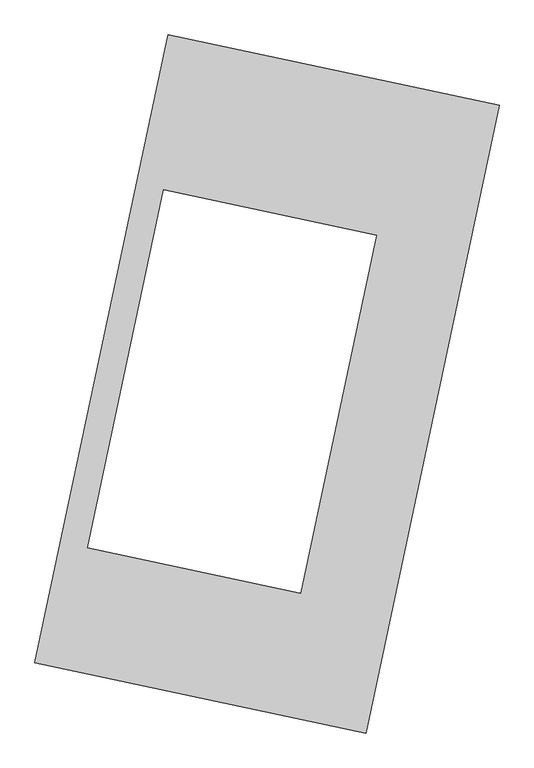
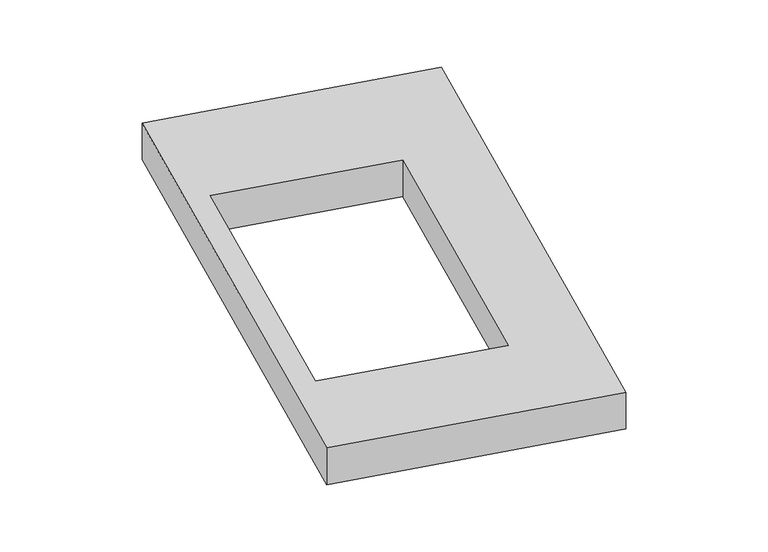
"""IFC4 building model written with IfcOpenShell, lengths in millimetres: proxy geometry."""

from ifc_helpers import new_model, si_unit, origin, origin_with_axes, place, context, project, spatial, polyline, outline, extrude, source, transform, mapped, element, save


def generic_models_0d9f7449(model_context):
    return source(origin(), model_context, "Body", "SweptSolid", [
        extrude(outline(polyline([(-617.3692021, 2175.5580432), (1447.7508745, 1737.3010494), (617.3692021, -2175.5580432), (-1447.7508745, -1737.3010494), (-617.3692021, 2175.5580432)]), holes=[polyline([(682.536099, 927.8459167), (-645.986857, 1209.7832642), (-1119.6081917, -1021.9778736), (208.9147642, -1303.9152212), (682.536099, 927.8459167)])]), origin_with_axes(), (0.0, 0.0, 1.0), 300.0),
    ])


if __name__ == "__main__":
    model = new_model("IFC4")
    model_context = context("Model", 3, world=origin())
    ifc_project = project(units=[si_unit("LENGTHUNIT", "METRE", prefix="MILLI")], contexts=[model_context])
    site = spatial("IfcSite", under=ifc_project)
    building = spatial("IfcBuilding", under=site)
    placement = place(None, origin())
    generic_models_shape = generic_models_0d9f7449(model_context)
    element("IfcBuildingElementProxy", 1, Name="Generic Models", at=placement, inside=building, context=model_context, shape_type="MappedRepresentation", body=[
        mapped(generic_models_shape, transform((0.0, 0.0, 0.0), x_axis=(1.0, 0.0, 0.0), y_axis=(0.0, 1.0, 0.0), z_axis=(0.0, 0.0, 1.0))),
    ])
    save(model, "model.ifc")
